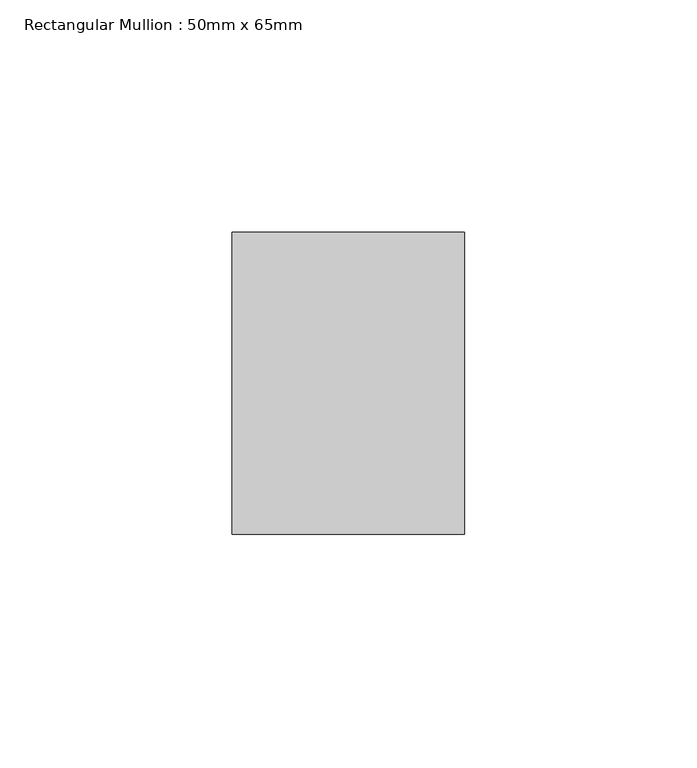
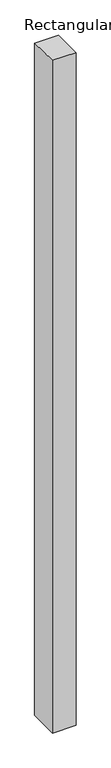
"""IFC4 building model written with IfcOpenShell, lengths in millimetres: member geometry, Rectangular Mullion : 50mm x 65mm."""

from ifc_helpers import new_model, si_unit, origin, place, context, project, spatial, faceted_brep, source, transform, mapped, element, save


def rectangular_mullion_50mm_x_65mm_747cc714(model_context):
    return source(origin(), model_context, "Body", "Brep", [
        faceted_brep([(-25.0, 32.5, -0.3057236), (25.0, 32.5, -0.305725), (25.0, 32.5, -1499.7974308), (-25.0, 32.5, -1499.7974317), (-25.0, -32.5, 0.305725), (-25.0, -32.5, -1500.2029086), (25.0, -32.5, 0.3057236), (25.0, -32.5, -1500.2029077)], [[[0, 1, 2, 3]], [[4, 0, 3, 5]], [[6, 4, 5, 7]], [[1, 6, 7, 2]], [[1, 0, 4, 6]], [[2, 7, 5, 3]]]),
    ])


if __name__ == "__main__":
    model = new_model("IFC4")
    model_context = context("Model", 3, world=origin())
    ifc_project = project(units=[si_unit("LENGTHUNIT", "METRE", prefix="MILLI")], contexts=[model_context])
    site = spatial("IfcSite", under=ifc_project)
    building = spatial("IfcBuilding", under=site)
    placement = place(None, origin())
    rectangular_mullion_50mm_x_65mm_shape = rectangular_mullion_50mm_x_65mm_747cc714(model_context)
    element("IfcMember", 1, ObjectType="Rectangular Mullion : 50mm x 65mm", at=placement, inside=building, context=model_context, shape_type="MappedRepresentation", body=[
        mapped(rectangular_mullion_50mm_x_65mm_shape, transform((0.0, 0.0, 0.0), x_axis=(1.0, 0.0, 0.0), y_axis=(0.0, 1.0, 0.0), z_axis=(0.0, 0.0, 1.0))),
    ])
    save(model, "model.ifc")
